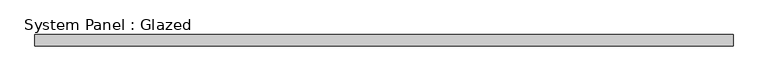
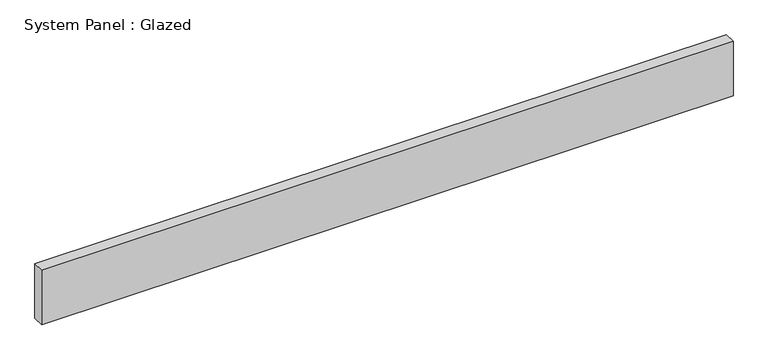
"""IFC4 building model written with IfcOpenShell, lengths in millimetres: plate geometry, System Panel : Glazed."""

from ifc_helpers import new_model, si_unit, origin, origin_with_axes, place, context, project, spatial, polyline, outline, extrude, source, transform, mapped, element, save


def system_panel_glazed_95c0ff69(model_context):
    return source(origin(), model_context, "Body", "SweptSolid", [
        extrude(outline(polyline([(767.08, -12.7), (-767.08, -12.7), (-767.08, 12.7), (767.08, 12.7), (767.08, -12.7)])), origin_with_axes(), (0.0, 0.0, 1.0), 127.0),
    ])


if __name__ == "__main__":
    model = new_model("IFC4")
    model_context = context("Model", 3, world=origin())
    ifc_project = project(units=[si_unit("LENGTHUNIT", "METRE", prefix="MILLI")], contexts=[model_context])
    site = spatial("IfcSite", under=ifc_project)
    building = spatial("IfcBuilding", under=site)
    placement = place(None, origin())
    system_panel_glazed_shape = system_panel_glazed_95c0ff69(model_context)
    element("IfcPlate", 1, ObjectType="System Panel : Glazed", at=placement, inside=building, context=model_context, shape_type="MappedRepresentation", body=[
        mapped(system_panel_glazed_shape, transform((0.0, 0.0, 0.0), x_axis=(1.0, 0.0, 0.0), y_axis=(0.0, 1.0, 0.0), z_axis=(0.0, 0.0, 1.0))),
    ])
    save(model, "model.ifc")
